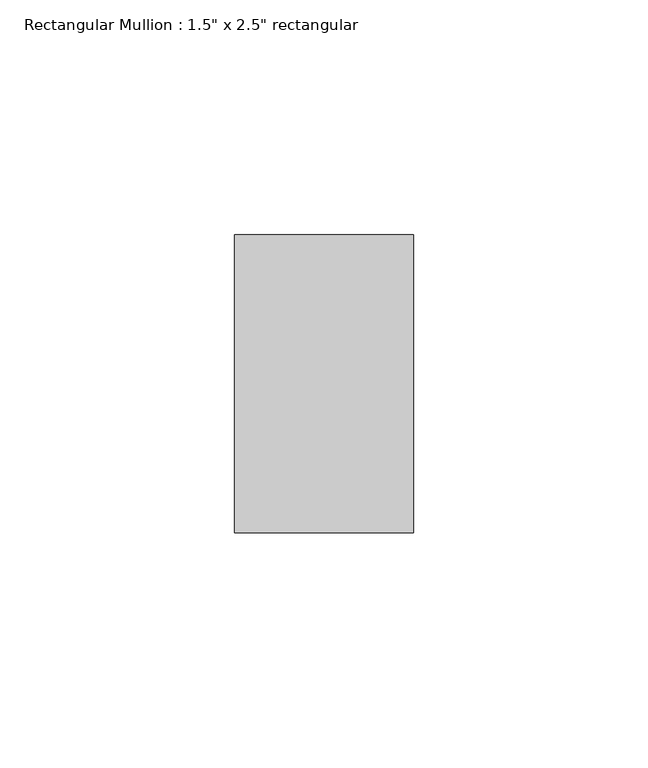
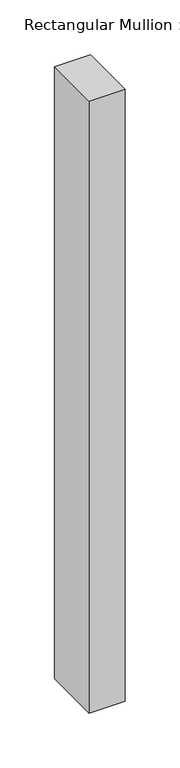
"""IFC4 building model written with IfcOpenShell, lengths in millimetres: member geometry."""

import ifcopenshell
import ifcopenshell.guid

model = None  # the IFC model being written
_history = None  # IfcOwnerHistory: only IFC2X3 demands one
_inside = {}  # id of a spatial element -> (the spatial element, [elements in it])
_under = {}  # id of a project, library or spatial element -> (it, [spatial elements below it])
_declared = {}  # id of a project -> (the project, [libraries it declares])
_typed = {}  # id of a type object -> (the type object, [elements of that type])
_made_of = {}  # id of a material, layer set ... -> (it, [elements and type objects made of it])


def new_model(schema):
    """Start an empty IFC model of exactly this schema.

    Asked for "IFC4X3", IfcOpenShell would pick the latest addendum, in which some entities
    have other attributes; the version numbers below select the first issue.
    IFC2X3 requires an IfcOwnerHistory on every rooted entity: one is made here for all.
    """
    global model, _history
    if schema == "IFC4X3":
        model = ifcopenshell.file(schema_version=(4, 3, 0, 0))
    else:
        model = ifcopenshell.file(schema=schema)
    _inside.clear()
    _under.clear()
    _declared.clear()
    _typed.clear()
    _made_of.clear()
    _history = None
    if model.schema == "IFC2X3":
        org = make("IfcOrganization", Name="unknown")
        user = make(
            "IfcPersonAndOrganization",
            ThePerson=make("IfcPerson", FamilyName="unknown"),
            TheOrganization=org,
        )
        app = make(
            "IfcApplication",
            ApplicationDeveloper=org,
            Version="unknown",
            ApplicationFullName="unknown",
            ApplicationIdentifier="unknown",
        )
        _history = make(
            "IfcOwnerHistory",
            OwningUser=user,
            OwningApplication=app,
            ChangeAction="ADDED",
            CreationDate=0,
        )
    return model


def make(cls, **values):
    """One entity of the class cls with the attributes given. An attribute that is None is left unset."""
    return model.create_entity(
        cls, **{name: value for name, value in values.items() if value is not None}
    )


def rooted(cls, **values):
    """An entity with a GlobalId (a new one), such as an element, a storey or a relation."""
    return make(cls, GlobalId=ifcopenshell.guid.new(), OwnerHistory=_history, **values)


def si_unit(unit_type, name, prefix=None):
    """IfcSIUnit, for example si_unit("LENGTHUNIT", "METRE", prefix="MILLI")."""
    return make("IfcSIUnit", UnitType=unit_type, Prefix=prefix, Name=name)


def assignment(units):
    """IfcUnitAssignment: the units of a project."""
    return None if units is None else make("IfcUnitAssignment", Units=units)


def point(xyz):
    """IfcCartesianPoint."""
    return None if xyz is None else make("IfcCartesianPoint", Coordinates=xyz)


def direction(xyz):
    """IfcDirection."""
    return None if xyz is None else make("IfcDirection", DirectionRatios=xyz)


def frame(location, z_axis=None, x_axis=None):
    """IfcAxis2Placement3D, a coordinate frame: its origin and axes. An axis left out is left unset."""
    return make(
        "IfcAxis2Placement3D",
        Location=point(location),
        Axis=direction(z_axis),
        RefDirection=direction(x_axis),
    )


def origin():
    """The frame at (0, 0, 0) with its axes left unset."""
    return frame((0.0, 0.0, 0.0))


def place(relative_to, where):
    """IfcLocalPlacement: puts the frame where relative to a parent placement (None: the world)."""
    return make(
        "IfcLocalPlacement", PlacementRelTo=relative_to, RelativePlacement=where
    )


def context(
    kind, dimensions, precision=None, world=None, true_north=None, identifier=None
):
    """IfcGeometricRepresentationContext, for example the 3D "Model" context."""
    return make(
        "IfcGeometricRepresentationContext",
        ContextIdentifier=identifier,
        ContextType=kind,
        CoordinateSpaceDimension=dimensions,
        Precision=precision,
        WorldCoordinateSystem=world,
        TrueNorth=true_north,
    )


def project(units=None, contexts=None):
    """IfcProject with its units and contexts."""
    return rooted(
        "IfcProject",
        Name="project",
        RepresentationContexts=contexts,
        UnitsInContext=assignment(units),
    )


def spatial(cls, under=None, at=None, **own):
    """A site, building, storey or space (cls), placed at a placement, below another one or the project."""
    s = rooted(cls, ObjectPlacement=at, **own)
    if under is not None:
        _under.setdefault(under.id(), (under, []))[1].append(s)
    return s


def polyline(points):
    """IfcPolyline through the points."""
    return make("IfcPolyline", Points=[point(p) for p in points])


def outline(outer, holes=None, kind="AREA"):
    """IfcArbitraryClosedProfileDef: a profile drawn as a closed curve; with holes, ...WithVoids."""
    if holes is None:
        return make("IfcArbitraryClosedProfileDef", ProfileType=kind, OuterCurve=outer)
    return make(
        "IfcArbitraryProfileDefWithVoids",
        ProfileType=kind,
        OuterCurve=outer,
        InnerCurves=holes,
    )


def extrude(swept, where, along, depth):
    """IfcExtrudedAreaSolid: the profile swept, set in the frame where, extruded along a direction by depth."""
    return make(
        "IfcExtrudedAreaSolid",
        SweptArea=swept,
        Position=where,
        ExtrudedDirection=direction(along),
        Depth=depth,
    )


def shape(context_of_items, identifier, shape_type, items):
    """IfcShapeRepresentation: the items that make up one representation, for example the "Body"."""
    return make(
        "IfcShapeRepresentation",
        ContextOfItems=context_of_items,
        RepresentationIdentifier=identifier,
        RepresentationType=shape_type,
        Items=items,
    )


def source(mapping_origin, context_of_items, identifier, shape_type, items):
    """IfcRepresentationMap: a shape defined once, which mapped items show again and again."""
    return make(
        "IfcRepresentationMap",
        MappingOrigin=mapping_origin,
        MappedRepresentation=shape(context_of_items, identifier, shape_type, items),
    )


def transform(
    local_origin,
    x_axis=None,
    y_axis=None,
    z_axis=None,
    scale=None,
    scale2=None,
    scale3=None,
    uniform=True,
):
    """IfcCartesianTransformationOperator3D, or its non-uniform kind. x_axis, y_axis, z_axis: its Axis1, 2, 3."""
    if uniform:
        return make(
            "IfcCartesianTransformationOperator3D",
            Axis1=direction(x_axis),
            Axis2=direction(y_axis),
            LocalOrigin=point(local_origin),
            Scale=scale,
            Axis3=direction(z_axis),
        )
    return make(
        "IfcCartesianTransformationOperator3DnonUniform",
        Axis1=direction(x_axis),
        Axis2=direction(y_axis),
        LocalOrigin=point(local_origin),
        Scale=scale,
        Axis3=direction(z_axis),
        Scale2=scale2,
        Scale3=scale3,
    )


def mapped(mapping_source, mapping_target):
    """IfcMappedItem: shows the shape of a source again, moved by a transform."""
    return make(
        "IfcMappedItem", MappingSource=mapping_source, MappingTarget=mapping_target
    )


def made_of(thing, what):
    """Note that an element or type object is made of a material, layer set ...; save() writes the relation."""
    if what is not None:
        _made_of.setdefault(what.id(), (what, []))[1].append(thing)
    return thing


def element(
    cls,
    number,
    at=None,
    inside=None,
    cuts=None,
    type_object=None,
    material=None,
    context=None,
    identifier="Body",
    shape_type=None,
    held_by="IfcProductDefinitionShape",
    body=None,
    shapes=None,
    **own,
):
    """One element of the class cls, such as IfcWall. Its Tag is "e" and its number.

    at: its placement. inside: the storey or other place that contains it. cuts: it is an
    opening in that element (IfcRelVoidsElement). A single representation is given by context,
    identifier, shape_type and body (its items); several are given by shapes. held_by: the class
    of the entity that holds the representations. save() writes the other relations.
    """
    e = rooted(cls, Tag="e%d" % number, ObjectPlacement=at, **own)
    if body is not None:
        shapes = [shape(context, identifier, shape_type, body)]
    if shapes is not None:
        e.Representation = make(held_by, Representations=shapes)
    if inside is not None:
        _inside.setdefault(inside.id(), (inside, []))[1].append(e)
    if cuts is not None:
        rooted(
            "IfcRelVoidsElement", RelatingBuildingElement=cuts, RelatedOpeningElement=e
        )
    if type_object is not None:
        _typed.setdefault(type_object.id(), (type_object, []))[1].append(e)
    return made_of(e, material)


def aggregate(whole, parts):
    """IfcRelAggregates: a whole, such as a stair, and the parts it consists of."""
    return rooted("IfcRelAggregates", RelatingObject=whole, RelatedObjects=parts)


def save(model, path):
    """Write the relations noted so far, then the file.

    IfcRelAggregates (storeys below a building ...), IfcRelContainedInSpatialStructure (elements
    in a storey), IfcRelDefinesByType, IfcRelAssociatesMaterial and IfcRelDeclares: one each for
    every whole, place, type object, material and project.
    """
    for whole, parts in _under.values():
        aggregate(whole, parts)
    for where, things in _inside.values():
        rooted(
            "IfcRelContainedInSpatialStructure",
            RelatedElements=things,
            RelatingStructure=where,
        )
    for kind, things in _typed.values():
        rooted("IfcRelDefinesByType", RelatedObjects=things, RelatingType=kind)
    for what, things in _made_of.values():
        rooted("IfcRelAssociatesMaterial", RelatedObjects=things, RelatingMaterial=what)
    for by, libraries in _declared.values():
        rooted("IfcRelDeclares", RelatingContext=by, RelatedDefinitions=libraries)
    model.write(path)


def member_178631ab(model_context):
    return source(origin(), model_context, "Body", "SweptSolid", [
        extrude(outline(polyline([(0.0, 31.75), (0.0, -31.75), (-38.1, -31.75), (-38.1, 31.75), (0.0, 31.75)])), frame((0.0, 0.0, -683.3809524), z_axis=(0.0, 0.0, 1.0), x_axis=(1.0, 0.0, 0.0)), (0.0, 0.0, 1.0), 683.3809524),
    ])


if __name__ == "__main__":
    model = new_model("IFC4")
    model_context = context("Model", 3, world=origin())
    ifc_project = project(units=[si_unit("LENGTHUNIT", "METRE", prefix="MILLI")], contexts=[model_context])
    site = spatial("IfcSite", under=ifc_project)
    building = spatial("IfcBuilding", under=site)
    placement = place(None, origin())
    member_shape = member_178631ab(model_context)
    element("IfcMember", 1, ObjectType="Rectangular Mullion : 1.5\" x 2.5\" rectangular", at=placement, inside=building, context=model_context, shape_type="MappedRepresentation", body=[
        mapped(member_shape, transform((0.0, 0.0, 0.0), x_axis=(1.0, 0.0, 0.0), y_axis=(0.0, 1.0, 0.0), z_axis=(0.0, 0.0, 1.0))),
    ])
    save(model, "model.ifc")
